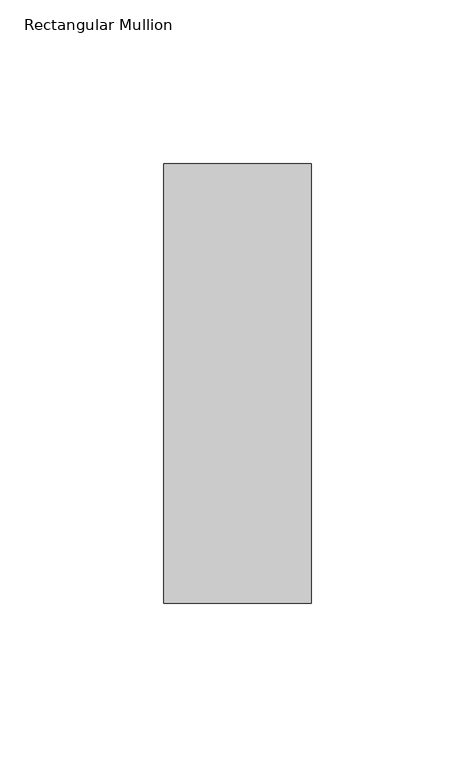
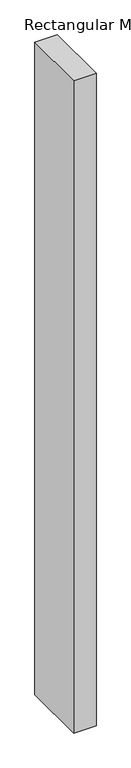
"""IFC4 building model written with IfcOpenShell, lengths in millimetres: member geometry, Rectangular Mullion."""

import ifcopenshell
import ifcopenshell.guid

model = None  # the IFC model being written
_history = None  # IfcOwnerHistory: only IFC2X3 demands one
_inside = {}  # id of a spatial element -> (the spatial element, [elements in it])
_under = {}  # id of a project, library or spatial element -> (it, [spatial elements below it])
_declared = {}  # id of a project -> (the project, [libraries it declares])
_typed = {}  # id of a type object -> (the type object, [elements of that type])
_made_of = {}  # id of a material, layer set ... -> (it, [elements and type objects made of it])


def new_model(schema):
    """Start an empty IFC model of exactly this schema.

    Asked for "IFC4X3", IfcOpenShell would pick the latest addendum, in which some entities
    have other attributes; the version numbers below select the first issue.
    IFC2X3 requires an IfcOwnerHistory on every rooted entity: one is made here for all.
    """
    global model, _history
    if schema == "IFC4X3":
        model = ifcopenshell.file(schema_version=(4, 3, 0, 0))
    else:
        model = ifcopenshell.file(schema=schema)
    _inside.clear()
    _under.clear()
    _declared.clear()
    _typed.clear()
    _made_of.clear()
    _history = None
    if model.schema == "IFC2X3":
        org = make("IfcOrganization", Name="unknown")
        user = make(
            "IfcPersonAndOrganization",
            ThePerson=make("IfcPerson", FamilyName="unknown"),
            TheOrganization=org,
        )
        app = make(
            "IfcApplication",
            ApplicationDeveloper=org,
            Version="unknown",
            ApplicationFullName="unknown",
            ApplicationIdentifier="unknown",
        )
        _history = make(
            "IfcOwnerHistory",
            OwningUser=user,
            OwningApplication=app,
            ChangeAction="ADDED",
            CreationDate=0,
        )
    return model


def make(cls, **values):
    """One entity of the class cls with the attributes given. An attribute that is None is left unset."""
    return model.create_entity(
        cls, **{name: value for name, value in values.items() if value is not None}
    )


def rooted(cls, **values):
    """An entity with a GlobalId (a new one), such as an element, a storey or a relation."""
    return make(cls, GlobalId=ifcopenshell.guid.new(), OwnerHistory=_history, **values)


def si_unit(unit_type, name, prefix=None):
    """IfcSIUnit, for example si_unit("LENGTHUNIT", "METRE", prefix="MILLI")."""
    return make("IfcSIUnit", UnitType=unit_type, Prefix=prefix, Name=name)


def assignment(units):
    """IfcUnitAssignment: the units of a project."""
    return None if units is None else make("IfcUnitAssignment", Units=units)


def point(xyz):
    """IfcCartesianPoint."""
    return None if xyz is None else make("IfcCartesianPoint", Coordinates=xyz)


def direction(xyz):
    """IfcDirection."""
    return None if xyz is None else make("IfcDirection", DirectionRatios=xyz)


def frame(location, z_axis=None, x_axis=None):
    """IfcAxis2Placement3D, a coordinate frame: its origin and axes. An axis left out is left unset."""
    return make(
        "IfcAxis2Placement3D",
        Location=point(location),
        Axis=direction(z_axis),
        RefDirection=direction(x_axis),
    )


def origin():
    """The frame at (0, 0, 0) with its axes left unset."""
    return frame((0.0, 0.0, 0.0))


def place(relative_to, where):
    """IfcLocalPlacement: puts the frame where relative to a parent placement (None: the world)."""
    return make(
        "IfcLocalPlacement", PlacementRelTo=relative_to, RelativePlacement=where
    )


def context(
    kind, dimensions, precision=None, world=None, true_north=None, identifier=None
):
    """IfcGeometricRepresentationContext, for example the 3D "Model" context."""
    return make(
        "IfcGeometricRepresentationContext",
        ContextIdentifier=identifier,
        ContextType=kind,
        CoordinateSpaceDimension=dimensions,
        Precision=precision,
        WorldCoordinateSystem=world,
        TrueNorth=true_north,
    )


def project(units=None, contexts=None):
    """IfcProject with its units and contexts."""
    return rooted(
        "IfcProject",
        Name="project",
        RepresentationContexts=contexts,
        UnitsInContext=assignment(units),
    )


def spatial(cls, under=None, at=None, **own):
    """A site, building, storey or space (cls), placed at a placement, below another one or the project."""
    s = rooted(cls, ObjectPlacement=at, **own)
    if under is not None:
        _under.setdefault(under.id(), (under, []))[1].append(s)
    return s


def polyline(points):
    """IfcPolyline through the points."""
    return make("IfcPolyline", Points=[point(p) for p in points])


def outline(outer, holes=None, kind="AREA"):
    """IfcArbitraryClosedProfileDef: a profile drawn as a closed curve; with holes, ...WithVoids."""
    if holes is None:
        return make("IfcArbitraryClosedProfileDef", ProfileType=kind, OuterCurve=outer)
    return make(
        "IfcArbitraryProfileDefWithVoids",
        ProfileType=kind,
        OuterCurve=outer,
        InnerCurves=holes,
    )


def extrude(swept, where, along, depth):
    """IfcExtrudedAreaSolid: the profile swept, set in the frame where, extruded along a direction by depth."""
    return make(
        "IfcExtrudedAreaSolid",
        SweptArea=swept,
        Position=where,
        ExtrudedDirection=direction(along),
        Depth=depth,
    )


def shape(context_of_items, identifier, shape_type, items):
    """IfcShapeRepresentation: the items that make up one representation, for example the "Body"."""
    return make(
        "IfcShapeRepresentation",
        ContextOfItems=context_of_items,
        RepresentationIdentifier=identifier,
        RepresentationType=shape_type,
        Items=items,
    )


def source(mapping_origin, context_of_items, identifier, shape_type, items):
    """IfcRepresentationMap: a shape defined once, which mapped items show again and again."""
    return make(
        "IfcRepresentationMap",
        MappingOrigin=mapping_origin,
        MappedRepresentation=shape(context_of_items, identifier, shape_type, items),
    )


def transform(
    local_origin,
    x_axis=None,
    y_axis=None,
    z_axis=None,
    scale=None,
    scale2=None,
    scale3=None,
    uniform=True,
):
    """IfcCartesianTransformationOperator3D, or its non-uniform kind. x_axis, y_axis, z_axis: its Axis1, 2, 3."""
    if uniform:
        return make(
            "IfcCartesianTransformationOperator3D",
            Axis1=direction(x_axis),
            Axis2=direction(y_axis),
            LocalOrigin=point(local_origin),
            Scale=scale,
            Axis3=direction(z_axis),
        )
    return make(
        "IfcCartesianTransformationOperator3DnonUniform",
        Axis1=direction(x_axis),
        Axis2=direction(y_axis),
        LocalOrigin=point(local_origin),
        Scale=scale,
        Axis3=direction(z_axis),
        Scale2=scale2,
        Scale3=scale3,
    )


def mapped(mapping_source, mapping_target):
    """IfcMappedItem: shows the shape of a source again, moved by a transform."""
    return make(
        "IfcMappedItem", MappingSource=mapping_source, MappingTarget=mapping_target
    )


def made_of(thing, what):
    """Note that an element or type object is made of a material, layer set ...; save() writes the relation."""
    if what is not None:
        _made_of.setdefault(what.id(), (what, []))[1].append(thing)
    return thing


def element(
    cls,
    number,
    at=None,
    inside=None,
    cuts=None,
    type_object=None,
    material=None,
    context=None,
    identifier="Body",
    shape_type=None,
    held_by="IfcProductDefinitionShape",
    body=None,
    shapes=None,
    **own,
):
    """One element of the class cls, such as IfcWall. Its Tag is "e" and its number.

    at: its placement. inside: the storey or other place that contains it. cuts: it is an
    opening in that element (IfcRelVoidsElement). A single representation is given by context,
    identifier, shape_type and body (its items); several are given by shapes. held_by: the class
    of the entity that holds the representations. save() writes the other relations.
    """
    e = rooted(cls, Tag="e%d" % number, ObjectPlacement=at, **own)
    if body is not None:
        shapes = [shape(context, identifier, shape_type, body)]
    if shapes is not None:
        e.Representation = make(held_by, Representations=shapes)
    if inside is not None:
        _inside.setdefault(inside.id(), (inside, []))[1].append(e)
    if cuts is not None:
        rooted(
            "IfcRelVoidsElement", RelatingBuildingElement=cuts, RelatedOpeningElement=e
        )
    if type_object is not None:
        _typed.setdefault(type_object.id(), (type_object, []))[1].append(e)
    return made_of(e, material)


def aggregate(whole, parts):
    """IfcRelAggregates: a whole, such as a stair, and the parts it consists of."""
    return rooted("IfcRelAggregates", RelatingObject=whole, RelatedObjects=parts)


def save(model, path):
    """Write the relations noted so far, then the file.

    IfcRelAggregates (storeys below a building ...), IfcRelContainedInSpatialStructure (elements
    in a storey), IfcRelDefinesByType, IfcRelAssociatesMaterial and IfcRelDeclares: one each for
    every whole, place, type object, material and project.
    """
    for whole, parts in _under.values():
        aggregate(whole, parts)
    for where, things in _inside.values():
        rooted(
            "IfcRelContainedInSpatialStructure",
            RelatedElements=things,
            RelatingStructure=where,
        )
    for kind, things in _typed.values():
        rooted("IfcRelDefinesByType", RelatedObjects=things, RelatingType=kind)
    for what, things in _made_of.values():
        rooted("IfcRelAssociatesMaterial", RelatedObjects=things, RelatingMaterial=what)
    for by, libraries in _declared.values():
        rooted("IfcRelDeclares", RelatingContext=by, RelatedDefinitions=libraries)
    model.write(path)


def rectangular_mullion_01191029(model_context):
    return source(origin(), model_context, "Body", "SweptSolid", [
        extrude(outline(polyline([(0.0, 82.60625), (0.0, -51.60625), (-45.0, -51.60625), (-45.0, 82.60625), (0.0, 82.60625)])), frame((0.0, 0.0, -1382.3566406), z_axis=(0.0, 0.0, 1.0), x_axis=(1.0, 0.0, 0.0)), (0.0, 0.0, 1.0), 1382.3566406),
    ])


if __name__ == "__main__":
    model = new_model("IFC4")
    model_context = context("Model", 3, world=origin())
    ifc_project = project(units=[si_unit("LENGTHUNIT", "METRE", prefix="MILLI")], contexts=[model_context])
    site = spatial("IfcSite", under=ifc_project)
    building = spatial("IfcBuilding", under=site)
    placement = place(None, origin())
    rectangular_mullion_shape = rectangular_mullion_01191029(model_context)
    element("IfcMember", 1, ObjectType="Rectangular Mullion", at=placement, inside=building, context=model_context, shape_type="MappedRepresentation", body=[
        mapped(rectangular_mullion_shape, transform((0.0, 0.0, 0.0), x_axis=(1.0, 0.0, 0.0), y_axis=(0.0, 1.0, 0.0), z_axis=(0.0, 0.0, 1.0))),
    ])
    save(model, "model.ifc")
